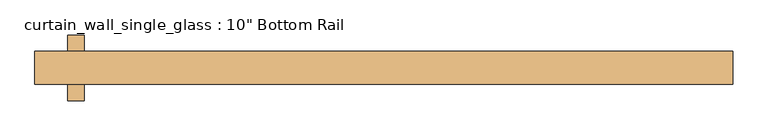
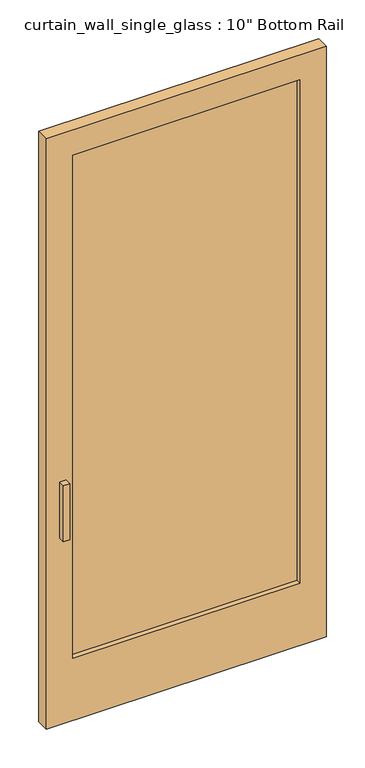
"""IFC4 building model written with IfcOpenShell, lengths in millimetres: door geometry."""

from ifc_helpers import new_model, si_unit, frame, origin, place, context, project, spatial, polyline, outline, extrude, source, transform, mapped, element, save


def door_dac81813(model_context):
    return source(origin(), model_context, "Body", "SweptSolid", [
        extrude(outline(polyline([(438.15, -6.35), (-438.15, -6.35), (-438.15, 6.35), (438.15, 6.35), (438.15, -6.35)])), frame((0.0, 0.0, 254.0), z_axis=(0.0, 0.0, 1.0), x_axis=(1.0, 0.0, 0.0)), (0.0, 0.0, 1.0), 2051.05),
        extrude(outline(polyline([(2406.65, -539.6592903), (0.0, -539.6592903), (0.0, 539.75), (2406.65, 539.75), (2406.65, -539.6592903)]), holes=[polyline([(2305.05, 438.15), (254.0, 438.15), (254.0, -438.15), (2305.05, -438.15), (2305.05, 438.15)])]), frame((0.0, -25.4, 0.0), z_axis=(0.0, 1.0, 0.0), x_axis=(0.0, 0.0, 1.0)), (0.0, 0.0, 1.0), 50.8),
        extrude(outline(polyline([(-463.5500001, -50.8), (-488.9500001, -50.8), (-488.9500001, 0.0), (-463.5500001, 0.0), (-463.5500001, -50.8)])), frame((0.0, 0.0, 762.0), z_axis=(0.0, 0.0, 1.0), x_axis=(1.0, 0.0, 0.0)), (0.0, 0.0, 1.0), 228.6),
        extrude(outline(polyline([(-488.9500001, 50.8), (-463.5500001, 50.8), (-463.5500001, 0.0), (-488.9500001, 0.0), (-488.9500001, 50.8)])), frame((0.0, 0.0, 762.0), z_axis=(0.0, 0.0, 1.0), x_axis=(1.0, 0.0, 0.0)), (0.0, 0.0, 1.0), 228.6),
    ])


if __name__ == "__main__":
    model = new_model("IFC4")
    model_context = context("Model", 3, world=origin())
    ifc_project = project(units=[si_unit("LENGTHUNIT", "METRE", prefix="MILLI")], contexts=[model_context])
    site = spatial("IfcSite", under=ifc_project)
    building = spatial("IfcBuilding", under=site)
    placement = place(None, origin())
    door_shape = door_dac81813(model_context)
    element("IfcDoor", 1, ObjectType="curtain_wall_single_glass : 10\" Bottom Rail", at=placement, inside=building, context=model_context, shape_type="MappedRepresentation", body=[
        mapped(door_shape, transform((0.0, 0.0, 0.0), x_axis=(1.0, 0.0, 0.0), y_axis=(0.0, 1.0, 0.0), z_axis=(0.0, 0.0, 1.0))),
    ])
    save(model, "model.ifc")
